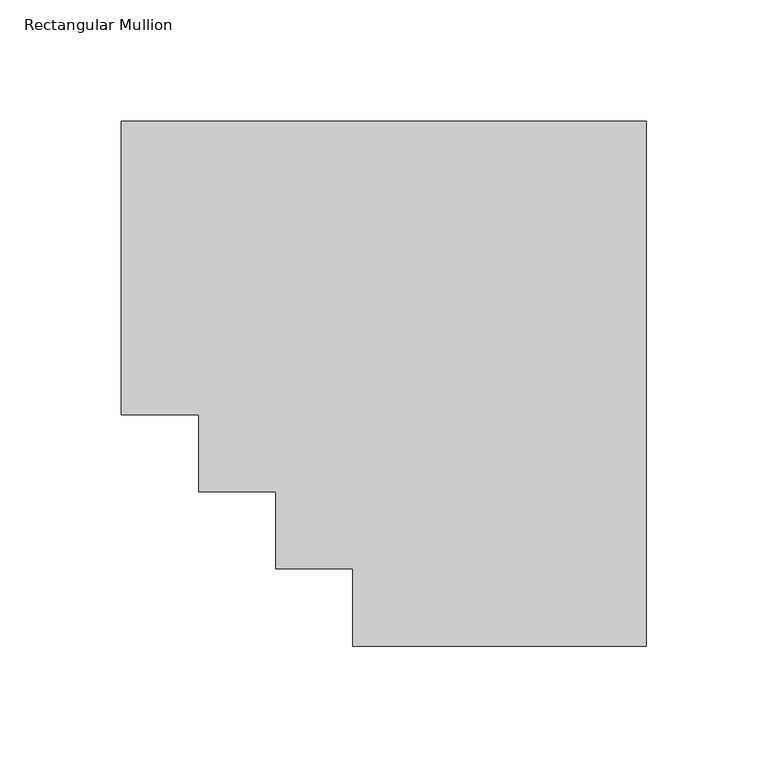
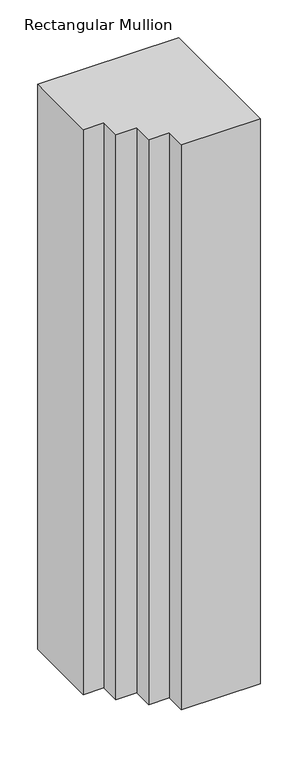
"""IFC4 building model written with IfcOpenShell, lengths in millimetres: member geometry, Rectangular Mullion."""

from ifc_helpers import new_model, si_unit, frame, origin, place, context, project, spatial, polyline, outline, extrude, source, transform, mapped, element, save


def rectangular_mullion_c1946473(model_context):
    return source(origin(), model_context, "Body", "SweptSolid", [
        extrude(outline(polyline([(-215.9, 152.4), (0.0, 152.4), (0.0, -63.5), (-120.65, -63.5), (-120.65, -31.75), (-152.4, -31.75), (-152.4, 0.0), (-184.15, 0.0), (-184.15, 31.75), (-215.9, 31.75), (-215.9, 152.4)])), frame((0.0, 0.0, -914.4), z_axis=(0.0, 0.0, 1.0), x_axis=(1.0, 0.0, 0.0)), (0.0, 0.0, 1.0), 914.4),
    ])


if __name__ == "__main__":
    model = new_model("IFC4")
    model_context = context("Model", 3, world=origin())
    ifc_project = project(units=[si_unit("LENGTHUNIT", "METRE", prefix="MILLI")], contexts=[model_context])
    site = spatial("IfcSite", under=ifc_project)
    building = spatial("IfcBuilding", under=site)
    placement = place(None, origin())
    rectangular_mullion_shape = rectangular_mullion_c1946473(model_context)
    element("IfcMember", 1, ObjectType="Rectangular Mullion", at=placement, inside=building, context=model_context, shape_type="MappedRepresentation", body=[
        mapped(rectangular_mullion_shape, transform((0.0, 0.0, 0.0), x_axis=(1.0, 0.0, 0.0), y_axis=(0.0, 1.0, 0.0), z_axis=(0.0, 0.0, 1.0))),
    ])
    save(model, "model.ifc")
